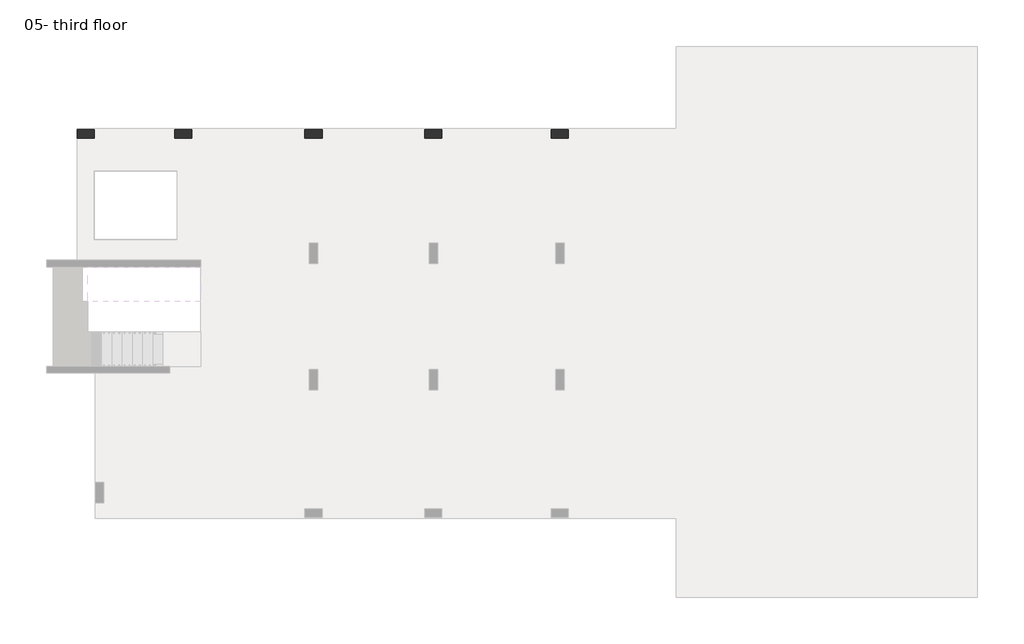
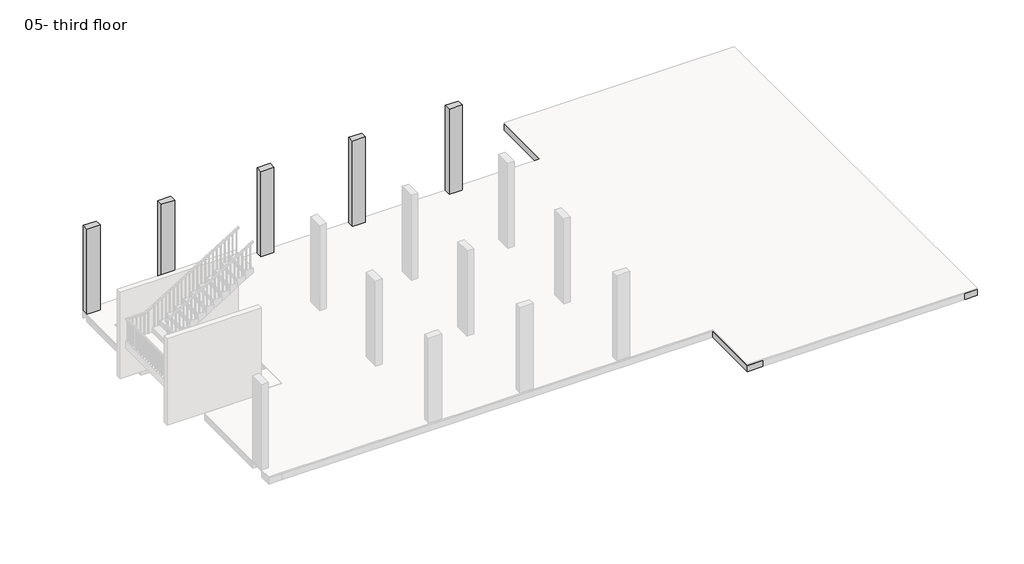
# One storey, part 4 of 5: 64 beams, 5 columns.
"""IFC4 building model written with IfcOpenShell, lengths in millimetres."""

from ifc_helpers import new_model, si_unit, frame, origin, place, context, project, spatial, polyline, outline, extrude, faceted_brep, element, save

model = new_model("IFC4")

# Units and contexts
model_context = context("Model", 3, world=origin())
ifc_project = project(units=[si_unit("LENGTHUNIT", "METRE", prefix="MILLI")], contexts=[model_context])

# Site, building, storey
site = spatial("IfcSite", under=ifc_project)
building = spatial("IfcBuilding", under=site)
storey = spatial("IfcBuildingStorey", under=building, Name="05- third floor", Elevation=10500.0)

# Beams
placement = place(None, origin())
element("IfcBeam", 1, ObjectType="B 150 x 250 mm", at=placement, inside=storey, context=model_context, shape_type="SweptSolid", body=[
    extrude(outline(polyline([(21975.0195763, 153.106066), (21825.0195763, 153.106066), (21825.0195763, 2253.106066), (21975.0195763, 2253.106066), (21975.0195763, 153.106066)])), frame((0.0, 0.0, 10200.0), z_axis=(0.0, 0.0, 1.0), x_axis=(1.0, 0.0, 0.0)), (0.0, 0.0, 1.0), 250.0),
])
element("IfcBeam", 2, ObjectType="B 150 x 250 mm", at=placement, inside=storey, context=model_context, shape_type="SweptSolid", body=[
    extrude(outline(polyline([(22525.0195763, 153.106066), (22375.0195763, 153.106066), (22375.0195763, 2253.106066), (22525.0195763, 2253.106066), (22525.0195763, 153.106066)])), frame((0.0, 0.0, 10200.0), z_axis=(0.0, 0.0, 1.0), x_axis=(1.0, 0.0, 0.0)), (0.0, 0.0, 1.0), 250.0),
])
element("IfcBeam", 3, ObjectType="B 150 x 250 mm", at=placement, inside=storey, context=model_context, shape_type="SweptSolid", body=[
    extrude(outline(polyline([(23075.0195763, 153.106066), (22925.0195763, 153.106066), (22925.0195763, 2253.106066), (23075.0195763, 2253.106066), (23075.0195763, 153.106066)])), frame((0.0, 0.0, 10200.0), z_axis=(0.0, 0.0, 1.0), x_axis=(1.0, 0.0, 0.0)), (0.0, 0.0, 1.0), 250.0),
])
element("IfcBeam", 4, ObjectType="B 150 x 250 mm", at=placement, inside=storey, context=model_context, shape_type="SweptSolid", body=[
    extrude(outline(polyline([(23625.0195763, 153.106066), (23475.0195763, 153.106066), (23475.0195763, 2253.106066), (23625.0195763, 2253.106066), (23625.0195763, 153.106066)])), frame((0.0, 0.0, 10200.0), z_axis=(0.0, 0.0, 1.0), x_axis=(1.0, 0.0, 0.0)), (0.0, 0.0, 1.0), 250.0),
])
element("IfcBeam", 5, ObjectType="B 150 x 250 mm", at=placement, inside=storey, context=model_context, shape_type="SweptSolid", body=[
    extrude(outline(polyline([(24175.0195763, 153.106066), (24025.0195763, 153.106066), (24025.0195763, 2253.106066), (24175.0195763, 2253.106066), (24175.0195763, 153.106066)])), frame((0.0, 0.0, 10200.0), z_axis=(0.0, 0.0, 1.0), x_axis=(1.0, 0.0, 0.0)), (0.0, 0.0, 1.0), 250.0),
])
element("IfcBeam", 6, ObjectType="B 150 x 250 mm", at=placement, inside=storey, context=model_context, shape_type="SweptSolid", body=[
    extrude(outline(polyline([(24725.0195763, 153.106066), (24575.0195763, 153.106066), (24575.0195763, 2253.106066), (24725.0195763, 2253.106066), (24725.0195763, 153.106066)])), frame((0.0, 0.0, 10200.0), z_axis=(0.0, 0.0, 1.0), x_axis=(1.0, 0.0, 0.0)), (0.0, 0.0, 1.0), 250.0),
])
element("IfcBeam", 7, ObjectType="B 150 x 250 mm", at=placement, inside=storey, context=model_context, shape_type="SweptSolid", body=[
    extrude(outline(polyline([(25275.0195763, 153.106066), (25125.0195763, 153.106066), (25125.0195763, 2253.106066), (25275.0195763, 2253.106066), (25275.0195763, 153.106066)])), frame((0.0, 0.0, 10200.0), z_axis=(0.0, 0.0, 1.0), x_axis=(1.0, 0.0, 0.0)), (0.0, 0.0, 1.0), 250.0),
])
element("IfcBeam", 8, ObjectType="B 150 x 250 mm", at=placement, inside=storey, context=model_context, shape_type="SweptSolid", body=[
    extrude(outline(polyline([(18375.0390798, 153.106066), (18225.0390798, 153.106066), (18225.0390798, 2253.106066), (18375.0390798, 2253.106066), (18375.0390798, 153.106066)])), frame((0.0, 0.0, 10200.0), z_axis=(0.0, 0.0, 1.0), x_axis=(1.0, 0.0, 0.0)), (0.0, 0.0, 1.0), 250.0),
])
element("IfcBeam", 9, ObjectType="B 150 x 250 mm", at=placement, inside=storey, context=model_context, shape_type="SweptSolid", body=[
    extrude(outline(polyline([(18925.0390798, 153.106066), (18775.0390798, 153.106066), (18775.0390798, 2253.106066), (18925.0390798, 2253.106066), (18925.0390798, 153.106066)])), frame((0.0, 0.0, 10200.0), z_axis=(0.0, 0.0, 1.0), x_axis=(1.0, 0.0, 0.0)), (0.0, 0.0, 1.0), 250.0),
])
element("IfcBeam", 10, ObjectType="B 150 x 250 mm", at=placement, inside=storey, context=model_context, shape_type="SweptSolid", body=[
    extrude(outline(polyline([(19475.0390798, 153.106066), (19325.0390798, 153.106066), (19325.0390798, 2253.106066), (19475.0390798, 2253.106066), (19475.0390798, 153.106066)])), frame((0.0, 0.0, 10200.0), z_axis=(0.0, 0.0, 1.0), x_axis=(1.0, 0.0, 0.0)), (0.0, 0.0, 1.0), 250.0),
])
element("IfcBeam", 11, ObjectType="B 150 x 250 mm", at=placement, inside=storey, context=model_context, shape_type="SweptSolid", body=[
    extrude(outline(polyline([(20025.0390798, 153.106066), (19875.0390798, 153.106066), (19875.0390798, 2253.106066), (20025.0390798, 2253.106066), (20025.0390798, 153.106066)])), frame((0.0, 0.0, 10200.0), z_axis=(0.0, 0.0, 1.0), x_axis=(1.0, 0.0, 0.0)), (0.0, 0.0, 1.0), 250.0),
])
element("IfcBeam", 12, ObjectType="B 150 x 250 mm", at=placement, inside=storey, context=model_context, shape_type="SweptSolid", body=[
    extrude(outline(polyline([(20575.0390798, 153.106066), (20425.0390798, 153.106066), (20425.0390798, 2253.106066), (20575.0390798, 2253.106066), (20575.0390798, 153.106066)])), frame((0.0, 0.0, 10200.0), z_axis=(0.0, 0.0, 1.0), x_axis=(1.0, 0.0, 0.0)), (0.0, 0.0, 1.0), 250.0),
])
element("IfcBeam", 13, ObjectType="B 150 x 250 mm", at=placement, inside=storey, context=model_context, shape_type="SweptSolid", body=[
    extrude(outline(polyline([(21825.0195763, -346.893934), (21975.0195763, -346.893934), (21975.0195763, -3096.893934), (21825.0195763, -3096.893934), (21825.0195763, -346.893934)])), frame((0.0, 0.0, 10200.0), z_axis=(0.0, 0.0, 1.0), x_axis=(1.0, 0.0, 0.0)), (0.0, 0.0, 1.0), 250.0),
])
element("IfcBeam", 14, ObjectType="B 150 x 250 mm", at=placement, inside=storey, context=model_context, shape_type="SweptSolid", body=[
    extrude(outline(polyline([(22375.0195763, -346.893934), (22525.0195763, -346.893934), (22525.0195763, -3096.893934), (22375.0195763, -3096.893934), (22375.0195763, -346.893934)])), frame((0.0, 0.0, 10200.0), z_axis=(0.0, 0.0, 1.0), x_axis=(1.0, 0.0, 0.0)), (0.0, 0.0, 1.0), 250.0),
])
element("IfcBeam", 15, ObjectType="B 150 x 250 mm", at=placement, inside=storey, context=model_context, shape_type="SweptSolid", body=[
    extrude(outline(polyline([(22925.0195763, -346.893934), (23075.0195763, -346.893934), (23075.0195763, -3096.893934), (22925.0195763, -3096.893934), (22925.0195763, -346.893934)])), frame((0.0, 0.0, 10200.0), z_axis=(0.0, 0.0, 1.0), x_axis=(1.0, 0.0, 0.0)), (0.0, 0.0, 1.0), 250.0),
])
element("IfcBeam", 16, ObjectType="B 150 x 250 mm", at=placement, inside=storey, context=model_context, shape_type="SweptSolid", body=[
    extrude(outline(polyline([(23475.0195763, -346.893934), (23625.0195763, -346.893934), (23625.0195763, -3096.893934), (23475.0195763, -3096.893934), (23475.0195763, -346.893934)])), frame((0.0, 0.0, 10200.0), z_axis=(0.0, 0.0, 1.0), x_axis=(1.0, 0.0, 0.0)), (0.0, 0.0, 1.0), 250.0),
])
element("IfcBeam", 17, ObjectType="B 150 x 250 mm", at=placement, inside=storey, context=model_context, shape_type="SweptSolid", body=[
    extrude(outline(polyline([(24025.0195763, -346.893934), (24175.0195763, -346.893934), (24175.0195763, -3096.893934), (24025.0195763, -3096.893934), (24025.0195763, -346.893934)])), frame((0.0, 0.0, 10200.0), z_axis=(0.0, 0.0, 1.0), x_axis=(1.0, 0.0, 0.0)), (0.0, 0.0, 1.0), 250.0),
])
element("IfcBeam", 18, ObjectType="B 150 x 250 mm", at=placement, inside=storey, context=model_context, shape_type="SweptSolid", body=[
    extrude(outline(polyline([(24575.0195763, -346.893934), (24725.0195763, -346.893934), (24725.0195763, -3096.893934), (24575.0195763, -3096.893934), (24575.0195763, -346.893934)])), frame((0.0, 0.0, 10200.0), z_axis=(0.0, 0.0, 1.0), x_axis=(1.0, 0.0, 0.0)), (0.0, 0.0, 1.0), 250.0),
])
element("IfcBeam", 19, ObjectType="B 150 x 250 mm", at=placement, inside=storey, context=model_context, shape_type="SweptSolid", body=[
    extrude(outline(polyline([(25125.0195763, -346.893934), (25275.0195763, -346.893934), (25275.0195763, -3096.893934), (25125.0195763, -3096.893934), (25125.0195763, -346.893934)])), frame((0.0, 0.0, 10200.0), z_axis=(0.0, 0.0, 1.0), x_axis=(1.0, 0.0, 0.0)), (0.0, 0.0, 1.0), 250.0),
])
element("IfcBeam", 20, ObjectType="B 150 x 250 mm", at=placement, inside=storey, context=model_context, shape_type="SweptSolid", body=[
    extrude(outline(polyline([(18225.0390798, -346.893934), (18375.0390798, -346.893934), (18375.0390798, -3096.893934), (18225.0390798, -3096.893934), (18225.0390798, -346.893934)])), frame((0.0, 0.0, 10200.0), z_axis=(0.0, 0.0, 1.0), x_axis=(1.0, 0.0, 0.0)), (0.0, 0.0, 1.0), 250.0),
])
element("IfcBeam", 21, ObjectType="B 150 x 250 mm", at=placement, inside=storey, context=model_context, shape_type="SweptSolid", body=[
    extrude(outline(polyline([(18775.0390798, -346.893934), (18925.0390798, -346.893934), (18925.0390798, -3096.893934), (18775.0390798, -3096.893934), (18775.0390798, -346.893934)])), frame((0.0, 0.0, 10200.0), z_axis=(0.0, 0.0, 1.0), x_axis=(1.0, 0.0, 0.0)), (0.0, 0.0, 1.0), 250.0),
])
element("IfcBeam", 22, ObjectType="B 150 x 250 mm", at=placement, inside=storey, context=model_context, shape_type="SweptSolid", body=[
    extrude(outline(polyline([(19325.0390798, -346.893934), (19475.0390798, -346.893934), (19475.0390798, -3096.893934), (19325.0390798, -3096.893934), (19325.0390798, -346.893934)])), frame((0.0, 0.0, 10200.0), z_axis=(0.0, 0.0, 1.0), x_axis=(1.0, 0.0, 0.0)), (0.0, 0.0, 1.0), 250.0),
])
element("IfcBeam", 23, ObjectType="B 150 x 250 mm", at=placement, inside=storey, context=model_context, shape_type="SweptSolid", body=[
    extrude(outline(polyline([(19875.0390798, -346.893934), (20025.0390798, -346.893934), (20025.0390798, -3096.893934), (19875.0390798, -3096.893934), (19875.0390798, -346.893934)])), frame((0.0, 0.0, 10200.0), z_axis=(0.0, 0.0, 1.0), x_axis=(1.0, 0.0, 0.0)), (0.0, 0.0, 1.0), 250.0),
])
element("IfcBeam", 24, ObjectType="B 150 x 250 mm", at=placement, inside=storey, context=model_context, shape_type="SweptSolid", body=[
    extrude(outline(polyline([(20425.0390798, -346.893934), (20575.0390798, -346.893934), (20575.0390798, -3096.893934), (20425.0390798, -3096.893934), (20425.0390798, -346.893934)])), frame((0.0, 0.0, 10200.0), z_axis=(0.0, 0.0, 1.0), x_axis=(1.0, 0.0, 0.0)), (0.0, 0.0, 1.0), 250.0),
])
element("IfcBeam", 25, ObjectType="B 150 x 250 mm", at=placement, inside=storey, context=model_context, shape_type="SweptSolid", body=[
    extrude(outline(polyline([(21825.0195763, -3896.893934), (21975.0195763, -3896.893934), (21975.0195763, -6796.8939341), (21825.0195763, -6796.8939341), (21825.0195763, -3896.893934)])), frame((0.0, 0.0, 10200.0), z_axis=(0.0, 0.0, 1.0), x_axis=(1.0, 0.0, 0.0)), (0.0, 0.0, 1.0), 250.0),
])
element("IfcBeam", 26, ObjectType="B 150 x 250 mm", at=placement, inside=storey, context=model_context, shape_type="SweptSolid", body=[
    extrude(outline(polyline([(22375.0195763, -3896.893934), (22525.0195763, -3896.893934), (22525.0195763, -6796.8939341), (22375.0195763, -6796.8939341), (22375.0195763, -3896.893934)])), frame((0.0, 0.0, 10200.0), z_axis=(0.0, 0.0, 1.0), x_axis=(1.0, 0.0, 0.0)), (0.0, 0.0, 1.0), 250.0),
])
element("IfcBeam", 27, ObjectType="B 150 x 250 mm", at=placement, inside=storey, context=model_context, shape_type="SweptSolid", body=[
    extrude(outline(polyline([(22925.0195763, -3896.893934), (23075.0195763, -3896.893934), (23075.0195763, -6796.8939341), (22925.0195763, -6796.8939341), (22925.0195763, -3896.893934)])), frame((0.0, 0.0, 10200.0), z_axis=(0.0, 0.0, 1.0), x_axis=(1.0, 0.0, 0.0)), (0.0, 0.0, 1.0), 250.0),
])
element("IfcBeam", 28, ObjectType="B 150 x 250 mm", at=placement, inside=storey, context=model_context, shape_type="SweptSolid", body=[
    extrude(outline(polyline([(23475.0195763, -3896.893934), (23625.0195763, -3896.893934), (23625.0195763, -6796.8939341), (23475.0195763, -6796.8939341), (23475.0195763, -3896.893934)])), frame((0.0, 0.0, 10200.0), z_axis=(0.0, 0.0, 1.0), x_axis=(1.0, 0.0, 0.0)), (0.0, 0.0, 1.0), 250.0),
])
element("IfcBeam", 29, ObjectType="B 150 x 250 mm", at=placement, inside=storey, context=model_context, shape_type="SweptSolid", body=[
    extrude(outline(polyline([(24025.0195763, -3896.893934), (24175.0195763, -3896.893934), (24175.0195763, -6796.8939341), (24025.0195763, -6796.8939341), (24025.0195763, -3896.893934)])), frame((0.0, 0.0, 10200.0), z_axis=(0.0, 0.0, 1.0), x_axis=(1.0, 0.0, 0.0)), (0.0, 0.0, 1.0), 250.0),
])
element("IfcBeam", 30, ObjectType="B 150 x 250 mm", at=placement, inside=storey, context=model_context, shape_type="SweptSolid", body=[
    extrude(outline(polyline([(24575.0195763, -3896.893934), (24725.0195763, -3896.893934), (24725.0195763, -6796.8939341), (24575.0195763, -6796.8939341), (24575.0195763, -3896.893934)])), frame((0.0, 0.0, 10200.0), z_axis=(0.0, 0.0, 1.0), x_axis=(1.0, 0.0, 0.0)), (0.0, 0.0, 1.0), 250.0),
])
element("IfcBeam", 31, ObjectType="B 150 x 250 mm", at=placement, inside=storey, context=model_context, shape_type="SweptSolid", body=[
    extrude(outline(polyline([(25125.0195763, -3896.893934), (25275.0195763, -3896.893934), (25275.0195763, -6796.8939341), (25125.0195763, -6796.8939341), (25125.0195763, -3896.893934)])), frame((0.0, 0.0, 10200.0), z_axis=(0.0, 0.0, 1.0), x_axis=(1.0, 0.0, 0.0)), (0.0, 0.0, 1.0), 250.0),
])
element("IfcBeam", 32, ObjectType="B 150 x 250 mm", at=placement, inside=storey, context=model_context, shape_type="SweptSolid", body=[
    extrude(outline(polyline([(18225.0390798, -3896.893934), (18375.0390798, -3896.893934), (18375.0390798, -6796.8939341), (18225.0390798, -6796.8939341), (18225.0390798, -3896.893934)])), frame((0.0, 0.0, 10200.0), z_axis=(0.0, 0.0, 1.0), x_axis=(1.0, 0.0, 0.0)), (0.0, 0.0, 1.0), 250.0),
])
element("IfcBeam", 33, ObjectType="B 150 x 250 mm", at=placement, inside=storey, context=model_context, shape_type="SweptSolid", body=[
    extrude(outline(polyline([(18775.0390798, -3896.893934), (18925.0390798, -3896.893934), (18925.0390798, -6796.8939341), (18775.0390798, -6796.8939341), (18775.0390798, -3896.893934)])), frame((0.0, 0.0, 10200.0), z_axis=(0.0, 0.0, 1.0), x_axis=(1.0, 0.0, 0.0)), (0.0, 0.0, 1.0), 250.0),
])
element("IfcBeam", 34, ObjectType="B 150 x 250 mm", at=placement, inside=storey, context=model_context, shape_type="SweptSolid", body=[
    extrude(outline(polyline([(19325.0390798, -3896.893934), (19475.0390798, -3896.893934), (19475.0390798, -6796.8939341), (19325.0390798, -6796.8939341), (19325.0390798, -3896.893934)])), frame((0.0, 0.0, 10200.0), z_axis=(0.0, 0.0, 1.0), x_axis=(1.0, 0.0, 0.0)), (0.0, 0.0, 1.0), 250.0),
])
element("IfcBeam", 35, ObjectType="B 150 x 250 mm", at=placement, inside=storey, context=model_context, shape_type="SweptSolid", body=[
    extrude(outline(polyline([(19875.0390798, -3896.893934), (20025.0390798, -3896.893934), (20025.0390798, -6796.8939341), (19875.0390798, -6796.8939341), (19875.0390798, -3896.893934)])), frame((0.0, 0.0, 10200.0), z_axis=(0.0, 0.0, 1.0), x_axis=(1.0, 0.0, 0.0)), (0.0, 0.0, 1.0), 250.0),
])
element("IfcBeam", 36, ObjectType="B 150 x 250 mm", at=placement, inside=storey, context=model_context, shape_type="SweptSolid", body=[
    extrude(outline(polyline([(20425.0390798, -3896.893934), (20575.0390798, -3896.893934), (20575.0390798, -6796.8939341), (20425.0390798, -6796.8939341), (20425.0390798, -3896.893934)])), frame((0.0, 0.0, 10200.0), z_axis=(0.0, 0.0, 1.0), x_axis=(1.0, 0.0, 0.0)), (0.0, 0.0, 1.0), 250.0),
])
element("IfcBeam", 37, ObjectType="B 150 x 250 mm", at=placement, inside=storey, context=model_context, shape_type="SweptSolid", body=[
    extrude(outline(polyline([(21825.0195763, -7596.8939341), (21975.0195763, -7596.8939341), (21975.0195763, -10746.893934), (21825.0195763, -10746.893934), (21825.0195763, -7596.8939341)])), frame((0.0, 0.0, 10200.0), z_axis=(0.0, 0.0, 1.0), x_axis=(1.0, 0.0, 0.0)), (0.0, 0.0, 1.0), 250.0),
])
element("IfcBeam", 38, ObjectType="B 150 x 250 mm", at=placement, inside=storey, context=model_context, shape_type="SweptSolid", body=[
    extrude(outline(polyline([(22375.0195763, -7596.8939341), (22525.0195763, -7596.8939341), (22525.0195763, -10746.893934), (22375.0195763, -10746.893934), (22375.0195763, -7596.8939341)])), frame((0.0, 0.0, 10200.0), z_axis=(0.0, 0.0, 1.0), x_axis=(1.0, 0.0, 0.0)), (0.0, 0.0, 1.0), 250.0),
])
element("IfcBeam", 39, ObjectType="B 150 x 250 mm", at=placement, inside=storey, context=model_context, shape_type="SweptSolid", body=[
    extrude(outline(polyline([(22925.0195763, -7596.8939341), (23075.0195763, -7596.8939341), (23075.0195763, -10746.893934), (22925.0195763, -10746.893934), (22925.0195763, -7596.8939341)])), frame((0.0, 0.0, 10200.0), z_axis=(0.0, 0.0, 1.0), x_axis=(1.0, 0.0, 0.0)), (0.0, 0.0, 1.0), 250.0),
])
element("IfcBeam", 40, ObjectType="B 150 x 250 mm", at=placement, inside=storey, context=model_context, shape_type="SweptSolid", body=[
    extrude(outline(polyline([(23475.0195763, -7596.8939341), (23625.0195763, -7596.8939341), (23625.0195763, -10746.893934), (23475.0195763, -10746.893934), (23475.0195763, -7596.8939341)])), frame((0.0, 0.0, 10200.0), z_axis=(0.0, 0.0, 1.0), x_axis=(1.0, 0.0, 0.0)), (0.0, 0.0, 1.0), 250.0),
])
element("IfcBeam", 41, ObjectType="B 150 x 250 mm", at=placement, inside=storey, context=model_context, shape_type="SweptSolid", body=[
    extrude(outline(polyline([(24025.0195763, -7596.8939341), (24175.0195763, -7596.8939341), (24175.0195763, -10746.893934), (24025.0195763, -10746.893934), (24025.0195763, -7596.8939341)])), frame((0.0, 0.0, 10200.0), z_axis=(0.0, 0.0, 1.0), x_axis=(1.0, 0.0, 0.0)), (0.0, 0.0, 1.0), 250.0),
])
element("IfcBeam", 42, ObjectType="B 150 x 250 mm", at=placement, inside=storey, context=model_context, shape_type="SweptSolid", body=[
    extrude(outline(polyline([(24575.0195763, -7596.8939341), (24725.0195763, -7596.8939341), (24725.0195763, -10746.893934), (24575.0195763, -10746.893934), (24575.0195763, -7596.8939341)])), frame((0.0, 0.0, 10200.0), z_axis=(0.0, 0.0, 1.0), x_axis=(1.0, 0.0, 0.0)), (0.0, 0.0, 1.0), 250.0),
])
element("IfcBeam", 43, ObjectType="B 150 x 250 mm", at=placement, inside=storey, context=model_context, shape_type="SweptSolid", body=[
    extrude(outline(polyline([(25125.0195763, -7596.8939341), (25275.0195763, -7596.8939341), (25275.0195763, -10746.893934), (25125.0195763, -10746.893934), (25125.0195763, -7596.8939341)])), frame((0.0, 0.0, 10200.0), z_axis=(0.0, 0.0, 1.0), x_axis=(1.0, 0.0, 0.0)), (0.0, 0.0, 1.0), 250.0),
])
element("IfcBeam", 44, ObjectType="B 150 x 250 mm", at=placement, inside=storey, context=model_context, shape_type="SweptSolid", body=[
    extrude(outline(polyline([(22525.0195763, -13246.8939341), (22375.0195763, -13246.8939341), (22375.0195763, -11246.893934), (22525.0195763, -11246.893934), (22525.0195763, -13246.8939341)])), frame((0.0, 0.0, 10200.0), z_axis=(0.0, 0.0, 1.0), x_axis=(1.0, 0.0, 0.0)), (0.0, 0.0, 1.0), 250.0),
])
element("IfcBeam", 45, ObjectType="B 150 x 250 mm", at=placement, inside=storey, context=model_context, shape_type="SweptSolid", body=[
    extrude(outline(polyline([(23075.0195763, -13246.8939341), (22925.0195763, -13246.8939341), (22925.0195763, -11246.893934), (23075.0195763, -11246.893934), (23075.0195763, -13246.8939341)])), frame((0.0, 0.0, 10200.0), z_axis=(0.0, 0.0, 1.0), x_axis=(1.0, 0.0, 0.0)), (0.0, 0.0, 1.0), 250.0),
])
element("IfcBeam", 46, ObjectType="B 150 x 250 mm", at=placement, inside=storey, context=model_context, shape_type="SweptSolid", body=[
    extrude(outline(polyline([(23625.0195763, -13246.8939341), (23475.0195763, -13246.8939341), (23475.0195763, -11246.893934), (23625.0195763, -11246.893934), (23625.0195763, -13246.8939341)])), frame((0.0, 0.0, 10200.0), z_axis=(0.0, 0.0, 1.0), x_axis=(1.0, 0.0, 0.0)), (0.0, 0.0, 1.0), 250.0),
])
element("IfcBeam", 47, ObjectType="B 150 x 250 mm", at=placement, inside=storey, context=model_context, shape_type="SweptSolid", body=[
    extrude(outline(polyline([(24175.0195763, -13246.8939341), (24025.0195763, -13246.8939341), (24025.0195763, -11246.893934), (24175.0195763, -11246.893934), (24175.0195763, -13246.8939341)])), frame((0.0, 0.0, 10200.0), z_axis=(0.0, 0.0, 1.0), x_axis=(1.0, 0.0, 0.0)), (0.0, 0.0, 1.0), 250.0),
])
element("IfcBeam", 48, ObjectType="B 150 x 250 mm", at=placement, inside=storey, context=model_context, shape_type="SweptSolid", body=[
    extrude(outline(polyline([(24575.0195763, -11246.893934), (24725.0195763, -11246.893934), (24725.0195763, -13246.8939341), (24575.0195763, -13246.8939341), (24575.0195763, -11246.893934)])), frame((0.0, 0.0, 10200.0), z_axis=(0.0, 0.0, 1.0), x_axis=(1.0, 0.0, 0.0)), (0.0, 0.0, 1.0), 250.0),
])
element("IfcBeam", 49, ObjectType="B 150 x 250 mm", at=placement, inside=storey, context=model_context, shape_type="SweptSolid", body=[
    extrude(outline(polyline([(25275.0195763, -13246.8939341), (25125.0195763, -13246.8939341), (25125.0195763, -11246.893934), (25275.0195763, -11246.893934), (25275.0195763, -13246.8939341)])), frame((0.0, 0.0, 10200.0), z_axis=(0.0, 0.0, 1.0), x_axis=(1.0, 0.0, 0.0)), (0.0, 0.0, 1.0), 250.0),
])
element("IfcBeam", 50, ObjectType="B 150 x 250 mm", at=placement, inside=storey, context=model_context, shape_type="SweptSolid", body=[
    extrude(outline(polyline([(18225.0390798, -7596.8939341), (18375.0390798, -7596.8939341), (18375.0390798, -10746.893934), (18225.0390798, -10746.893934), (18225.0390798, -7596.8939341)])), frame((0.0, 0.0, 10200.0), z_axis=(0.0, 0.0, 1.0), x_axis=(1.0, 0.0, 0.0)), (0.0, 0.0, 1.0), 250.0),
])
element("IfcBeam", 51, ObjectType="B 150 x 250 mm", at=placement, inside=storey, context=model_context, shape_type="SweptSolid", body=[
    extrude(outline(polyline([(18775.0390798, -7596.8939341), (18925.0390798, -7596.8939341), (18925.0390798, -10746.893934), (18775.0390798, -10746.893934), (18775.0390798, -7596.8939341)])), frame((0.0, 0.0, 10200.0), z_axis=(0.0, 0.0, 1.0), x_axis=(1.0, 0.0, 0.0)), (0.0, 0.0, 1.0), 250.0),
])
element("IfcBeam", 52, ObjectType="B 150 x 250 mm", at=placement, inside=storey, context=model_context, shape_type="SweptSolid", body=[
    extrude(outline(polyline([(19325.0390798, -7596.8939341), (19475.0390798, -7596.8939341), (19475.0390798, -10746.893934), (19325.0390798, -10746.893934), (19325.0390798, -7596.8939341)])), frame((0.0, 0.0, 10200.0), z_axis=(0.0, 0.0, 1.0), x_axis=(1.0, 0.0, 0.0)), (0.0, 0.0, 1.0), 250.0),
])
element("IfcBeam", 53, ObjectType="B 150 x 250 mm", at=placement, inside=storey, context=model_context, shape_type="SweptSolid", body=[
    extrude(outline(polyline([(19875.0390798, -7596.8939341), (20025.0390798, -7596.8939341), (20025.0390798, -10746.893934), (19875.0390798, -10746.893934), (19875.0390798, -7596.8939341)])), frame((0.0, 0.0, 10200.0), z_axis=(0.0, 0.0, 1.0), x_axis=(1.0, 0.0, 0.0)), (0.0, 0.0, 1.0), 250.0),
])
element("IfcBeam", 54, ObjectType="B 150 x 250 mm", at=placement, inside=storey, context=model_context, shape_type="SweptSolid", body=[
    extrude(outline(polyline([(20425.0390798, -7596.8939341), (20575.0390798, -7596.8939341), (20575.0390798, -10746.893934), (20425.0390798, -10746.893934), (20425.0390798, -7596.8939341)])), frame((0.0, 0.0, 10200.0), z_axis=(0.0, 0.0, 1.0), x_axis=(1.0, 0.0, 0.0)), (0.0, 0.0, 1.0), 250.0),
])
element("IfcBeam", 55, ObjectType="B 150 x 250 mm", at=placement, inside=storey, context=model_context, shape_type="SweptSolid", body=[
    extrude(outline(polyline([(16175.0390798, -346.893934), (16325.0390798, -346.893934), (16325.0390798, -3096.893934), (16175.0390798, -3096.893934), (16175.0390798, -346.893934)])), frame((0.0, 0.0, 10200.0), z_axis=(0.0, 0.0, 1.0), x_axis=(1.0, 0.0, 0.0)), (0.0, 0.0, 1.0), 250.0),
])
element("IfcBeam", 56, ObjectType="B 150 x 250 mm", at=placement, inside=storey, context=model_context, shape_type="SweptSolid", body=[
    extrude(outline(polyline([(16725.0390798, -346.893934), (16875.0390798, -346.893934), (16875.0390798, -3096.893934), (16725.0390798, -3096.893934), (16725.0390798, -346.893934)])), frame((0.0, 0.0, 10200.0), z_axis=(0.0, 0.0, 1.0), x_axis=(1.0, 0.0, 0.0)), (0.0, 0.0, 1.0), 250.0),
])
element("IfcBeam", 57, ObjectType="B 150 x 250 mm", at=placement, inside=storey, context=model_context, shape_type="SweptSolid", body=[
    extrude(outline(polyline([(16175.0390798, -3896.893934), (16325.0390798, -3896.893934), (16325.0390798, -6796.8939341), (16175.0390798, -6796.8939341), (16175.0390798, -3896.893934)])), frame((0.0, 0.0, 10200.0), z_axis=(0.0, 0.0, 1.0), x_axis=(1.0, 0.0, 0.0)), (0.0, 0.0, 1.0), 250.0),
])
element("IfcBeam", 58, ObjectType="B 150 x 250 mm", at=placement, inside=storey, context=model_context, shape_type="SweptSolid", body=[
    extrude(outline(polyline([(16725.0390798, -3896.893934), (16875.0390798, -3896.893934), (16875.0390798, -6796.8939341), (16725.0390798, -6796.8939341), (16725.0390798, -3896.893934)])), frame((0.0, 0.0, 10200.0), z_axis=(0.0, 0.0, 1.0), x_axis=(1.0, 0.0, 0.0)), (0.0, 0.0, 1.0), 250.0),
])
element("IfcBeam", 59, ObjectType="B 150 x 250 mm", at=placement, inside=storey, context=model_context, shape_type="SweptSolid", body=[
    extrude(outline(polyline([(16175.0390798, -7596.8939341), (16325.0390798, -7596.8939341), (16325.0390798, -10746.893934), (16175.0390798, -10746.893934), (16175.0390798, -7596.8939341)])), frame((0.0, 0.0, 10200.0), z_axis=(0.0, 0.0, 1.0), x_axis=(1.0, 0.0, 0.0)), (0.0, 0.0, 1.0), 250.0),
])
element("IfcBeam", 60, ObjectType="B 150 x 250 mm", at=placement, inside=storey, context=model_context, shape_type="SweptSolid", body=[
    extrude(outline(polyline([(16725.0390798, -7596.8939341), (16875.0390798, -7596.8939341), (16875.0390798, -10746.893934), (16725.0390798, -10746.893934), (16725.0390798, -7596.8939341)])), frame((0.0, 0.0, 10200.0), z_axis=(0.0, 0.0, 1.0), x_axis=(1.0, 0.0, 0.0)), (0.0, 0.0, 1.0), 250.0),
])
element("IfcBeam", 61, ObjectType="B5 500 x 250 mm", at=placement, inside=storey, context=model_context, shape_type="Brep", body=[
    faceted_brep([(26050.0000727, 2553.106066, 10450.0), (26050.0000727, 2553.106066, 10200.0), (25550.0000727, 2553.106066, 10200.0), (25550.0000727, 2553.106066, 10450.0), (25550.0000727, 2253.106066, 10450.0), (25550.0000727, 153.106066, 10450.0), (25550.0000727, 125.0, 10450.0), (25966.5, 125.0, 10450.0), (25966.5, -125.0, 10450.0), (25550.0000727, -125.0, 10450.0), (25550.0000727, -346.893934, 10450.0), (25550.0000727, -3096.893934, 10450.0), (25550.0000727, -3896.893934, 10450.0), (25550.0000727, -6796.8939341, 10450.0), (25550.0000727, -7596.8939341, 10450.0), (25550.0000727, -10746.893934, 10450.0), (25550.0000727, -11246.893934, 10450.0), (25550.0000727, -13246.8939341, 10450.0), (25550.0000727, -13546.8939341, 10450.0), (26050.0000727, -13546.8939341, 10450.0), (25766.5, -4846.8939341, 10450.0), (26016.5, -4846.8939341, 10450.0), (26016.5, -5246.8939341, 10450.0), (25766.5, -5246.8939341, 10450.0), (25550.0000727, -13546.8939341, 10200.0), (25550.0000727, -125.0, 10200.0), (25550.0000727, -346.893934, 10200.0), (25550.0000727, -3096.893934, 10200.0), (25550.0000727, -3896.893934, 10200.0), (25550.0000727, -6796.8939341, 10200.0), (25550.0000727, -7596.8939341, 10200.0), (25550.0000727, -10746.893934, 10200.0), (25550.0000727, -11246.893934, 10200.0), (25550.0000727, -13246.8939341, 10200.0), (26050.0000727, -13546.8939341, 10200.0), (25966.5, -125.0, 10200.0), (25966.5, 125.0, 10200.0), (25550.0000727, 125.0, 10200.0), (25550.0000727, 153.106066, 10200.0), (25550.0000727, 2253.106066, 10200.0), (26016.5, -4846.8939341, 10200.0), (25766.5, -4846.8939341, 10200.0), (25766.5, -5246.8939341, 10200.0), (26016.5, -5246.8939341, 10200.0)], [[[0, 1, 2, 3]], [[0, 3, 4, 5, 6, 7, 8, 9, 10, 11, 12, 13, 14, 15, 16, 17, 18, 19], [20, 21, 22, 23]], [[24, 18, 17, 16, 15, 14, 13, 12, 11, 10, 9, 25, 26, 27, 28, 29, 30, 31, 32, 33]], [[2, 1, 34, 24, 33, 32, 31, 30, 29, 28, 27, 26, 25, 35, 36, 37, 38, 39], [40, 41, 42, 43]], [[1, 0, 19, 34]], [[40, 21, 20, 41]], [[41, 20, 23, 42]], [[21, 40, 43, 22]], [[8, 35, 25, 9]], [[35, 8, 7, 36]], [[36, 7, 6, 37]], [[3, 2, 39, 38, 37, 6, 5, 4]], [[22, 43, 42, 23]], [[19, 18, 24, 34]]]),
])
element("IfcBeam", 62, ObjectType="B6 600 x 250 mm", at=placement, inside=storey, context=model_context, shape_type="Brep", body=[
    faceted_brep([(17250.0390798, 2553.106066, 10450.0), (17850.0390798, 2553.106066, 10450.0), (17850.0390798, 2553.106066, 10200.0), (17250.0390798, 2553.106066, 10200.0), (17250.0390798, 153.106066, 10450.0), (17850.0390798, 153.106066, 10450.0), (17850.0390798, 2253.106066, 10450.0), (17850.0390798, 153.106066, 10200.0), (17850.0390798, 2253.106066, 10200.0), (17250.0390798, 153.106066, 10200.0)], [[[0, 1, 2, 3]], [[1, 0, 4, 5, 6]], [[2, 1, 6, 5, 7, 8]], [[3, 2, 8, 7, 9]], [[0, 3, 9, 4]], [[5, 4, 9, 7]]]),
    faceted_brep([(17250.0390798, -13546.8939341, 10450.0), (17250.0390798, -13546.8939341, 10200.0), (17850.0390798, -13546.8939341, 10200.0), (17850.0390798, -13546.8939341, 10450.0), (17250.0390798, -11246.893934, 10450.0), (17850.0390798, -11246.893934, 10450.0), (17850.0390798, -11246.893934, 10200.0), (17250.0390798, -11246.893934, 10200.0), (17850.0390798, -13246.8939341, 10450.0), (17850.0390798, -13246.8939341, 10200.0)], [[[0, 1, 2, 3]], [[4, 5, 6, 7]], [[0, 3, 8, 5, 4]], [[3, 2, 9, 6, 5, 8]], [[2, 1, 7, 6, 9]], [[1, 0, 4, 7]]]),
    faceted_brep([(17850.0390798, -10746.893934, 10450.0), (17250.0390798, -10746.893934, 10450.0), (17250.0390798, -10746.893934, 10200.0), (17850.0390798, -10746.893934, 10200.0), (17250.0390798, -7596.8939341, 10450.0), (17850.0390798, -7596.8939341, 10450.0), (17850.0390798, -7596.8939341, 10200.0), (17250.0390798, -7596.8939341, 10200.0)], [[[0, 1, 2, 3]], [[4, 5, 6, 7]], [[1, 0, 5, 4]], [[0, 3, 6, 5]], [[3, 2, 7, 6]], [[2, 1, 4, 7]]]),
    faceted_brep([(17850.0390798, -6796.8939341, 10450.0), (17250.0390798, -6796.8939341, 10450.0), (17250.0390798, -6796.8939341, 10200.0), (17850.0390798, -6796.8939341, 10200.0), (17250.0390798, -3896.893934, 10450.0), (17850.0390798, -3896.893934, 10450.0), (17850.0390798, -3896.893934, 10200.0), (17250.0390798, -3896.893934, 10200.0)], [[[0, 1, 2, 3]], [[4, 5, 6, 7]], [[1, 0, 5, 4]], [[0, 3, 6, 5]], [[3, 2, 7, 6]], [[2, 1, 4, 7]]]),
    faceted_brep([(17850.0390798, -3096.893934, 10450.0), (17250.0390798, -3096.893934, 10450.0), (17250.0390798, -3096.893934, 10200.0), (17850.0390798, -3096.893934, 10200.0), (17250.0390798, -346.893934, 10450.0), (17850.0390798, -346.893934, 10450.0), (17850.0390798, -346.893934, 10200.0), (17250.0390798, -346.893934, 10200.0)], [[[0, 1, 2, 3]], [[4, 5, 6, 7]], [[1, 0, 5, 4]], [[0, 3, 6, 5]], [[3, 2, 7, 6]], [[2, 1, 4, 7]]]),
])
element("IfcBeam", 63, ObjectType="B6 600 x 250 mm", at=placement, inside=storey, context=model_context, shape_type="Brep", body=[
    faceted_brep([(20950.0390798, 2553.106066, 10450.0), (21550.0390798, 2553.106066, 10450.0), (21550.0390798, 2553.106066, 10200.0), (20950.0390798, 2553.106066, 10200.0), (20950.0390798, 2253.106066, 10450.0), (20950.0390798, 153.106066, 10450.0), (21550.0390798, 153.106066, 10450.0), (21550.0390798, 2253.106066, 10450.0), (21550.0390798, 153.106066, 10200.0), (21550.0390798, 2253.106066, 10200.0), (20950.0390798, 153.106066, 10200.0), (20950.0390798, 2253.106066, 10200.0)], [[[0, 1, 2, 3]], [[1, 0, 4, 5, 6, 7]], [[2, 1, 7, 6, 8, 9]], [[3, 2, 9, 8, 10, 11]], [[0, 3, 11, 10, 5, 4]], [[6, 5, 10, 8]]]),
    faceted_brep([(20950.0390798, -11246.893934, 10450.0), (21550.0390798, -11246.893934, 10450.0), (21550.0390798, -11246.893934, 10200.0), (20950.0390798, -11246.893934, 10200.0), (20950.0390798, -13246.8939341, 10450.0), (21550.0390798, -13246.8939341, 10450.0), (21550.0390798, -13246.8939341, 10200.0), (20950.0390798, -13246.8939341, 10200.0)], [[[0, 1, 2, 3]], [[1, 0, 4, 5]], [[2, 1, 5, 6]], [[3, 2, 6, 7]], [[0, 3, 7, 4]], [[5, 4, 7, 6]]]),
    faceted_brep([(21550.0390798, -10746.893934, 10450.0), (20950.0390798, -10746.893934, 10450.0), (20950.0390798, -10746.893934, 10200.0), (21550.0390798, -10746.893934, 10200.0), (20950.0390798, -7596.8939341, 10450.0), (21550.0390798, -7596.8939341, 10450.0), (21550.0390798, -7596.8939341, 10200.0), (20950.0390798, -7596.8939341, 10200.0)], [[[0, 1, 2, 3]], [[4, 5, 6, 7]], [[1, 0, 5, 4]], [[0, 3, 6, 5]], [[3, 2, 7, 6]], [[2, 1, 4, 7]]]),
    faceted_brep([(21550.0390798, -6796.8939341, 10450.0), (20950.0390798, -6796.8939341, 10450.0), (20950.0390798, -6796.8939341, 10200.0), (21550.0390798, -6796.8939341, 10200.0), (20950.0390798, -3896.893934, 10450.0), (21550.0390798, -3896.893934, 10450.0), (21550.0390798, -3896.893934, 10200.0), (20950.0390798, -3896.893934, 10200.0)], [[[0, 1, 2, 3]], [[4, 5, 6, 7]], [[1, 0, 5, 4]], [[0, 3, 6, 5]], [[3, 2, 7, 6]], [[2, 1, 4, 7]]]),
    faceted_brep([(21550.0390798, -3096.893934, 10450.0), (20950.0390798, -3096.893934, 10450.0), (20950.0390798, -3096.893934, 10200.0), (21550.0390798, -3096.893934, 10200.0), (20950.0390798, -346.893934, 10450.0), (21550.0390798, -346.893934, 10450.0), (21550.0390798, -346.893934, 10200.0), (20950.0390798, -346.893934, 10200.0)], [[[0, 1, 2, 3]], [[4, 5, 6, 7]], [[1, 0, 5, 4]], [[0, 3, 6, 5]], [[3, 2, 7, 6]], [[2, 1, 4, 7]]]),
])
element("IfcBeam", 64, ObjectType="B7 300 x 250 mm", at=placement, inside=storey, context=model_context, shape_type="Brep", body=[
    faceted_brep([(25550.0000727, 2553.106066, 10450.0), (25550.0000727, 2253.106066, 10450.0), (25550.0000727, 2253.106066, 10200.0), (25550.0000727, 2553.106066, 10200.0), (21550.0390798, 2553.106066, 10450.0), (21550.0390798, 2253.106066, 10450.0), (21825.0195763, 2253.106066, 10450.0), (21975.0195763, 2253.106066, 10450.0), (22375.0195763, 2253.106066, 10450.0), (22525.0195763, 2253.106066, 10450.0), (22925.0195763, 2253.106066, 10450.0), (23075.0195763, 2253.106066, 10450.0), (23475.0195763, 2253.106066, 10450.0), (23625.0195763, 2253.106066, 10450.0), (24025.0195763, 2253.106066, 10450.0), (24175.0195763, 2253.106066, 10450.0), (24575.0195763, 2253.106066, 10450.0), (24725.0195763, 2253.106066, 10450.0), (25125.0195763, 2253.106066, 10450.0), (25275.0195763, 2253.106066, 10450.0), (21550.0390798, 2253.106066, 10200.0), (21825.0195763, 2253.106066, 10200.0), (21975.0195763, 2253.106066, 10200.0), (22375.0195763, 2253.106066, 10200.0), (22525.0195763, 2253.106066, 10200.0), (22925.0195763, 2253.106066, 10200.0), (23075.0195763, 2253.106066, 10200.0), (23475.0195763, 2253.106066, 10200.0), (23625.0195763, 2253.106066, 10200.0), (24025.0195763, 2253.106066, 10200.0), (24175.0195763, 2253.106066, 10200.0), (24575.0195763, 2253.106066, 10200.0), (24725.0195763, 2253.106066, 10200.0), (25125.0195763, 2253.106066, 10200.0), (25275.0195763, 2253.106066, 10200.0), (21550.0390798, 2553.106066, 10200.0)], [[[0, 1, 2, 3]], [[1, 0, 4, 5, 6, 7, 8, 9, 10, 11, 12, 13, 14, 15, 16, 17, 18, 19]], [[2, 1, 19, 18, 17, 16, 15, 14, 13, 12, 11, 10, 9, 8, 7, 6, 5, 20, 21, 22, 23, 24, 25, 26, 27, 28, 29, 30, 31, 32, 33, 34]], [[3, 2, 34, 33, 32, 31, 30, 29, 28, 27, 26, 25, 24, 23, 22, 21, 20, 35]], [[0, 3, 35, 4]], [[5, 4, 35, 20]]]),
    faceted_brep([(17850.0390798, 2553.106066, 10450.0), (17850.0390798, 2553.106066, 10200.0), (17850.0390798, 2253.106066, 10200.0), (17850.0390798, 2253.106066, 10450.0), (20950.0390798, 2553.106066, 10450.0), (20950.0390798, 2253.106066, 10450.0), (20950.0390798, 2253.106066, 10200.0), (20950.0390798, 2553.106066, 10200.0), (18225.0390798, 2253.106066, 10450.0), (18375.0390798, 2253.106066, 10450.0), (18775.0390798, 2253.106066, 10450.0), (18925.0390798, 2253.106066, 10450.0), (19325.0390798, 2253.106066, 10450.0), (19475.0390798, 2253.106066, 10450.0), (19875.0390798, 2253.106066, 10450.0), (20025.0390798, 2253.106066, 10450.0), (20425.0390798, 2253.106066, 10450.0), (20575.0390798, 2253.106066, 10450.0), (18225.0390798, 2253.106066, 10200.0), (18375.0390798, 2253.106066, 10200.0), (18775.0390798, 2253.106066, 10200.0), (18925.0390798, 2253.106066, 10200.0), (19325.0390798, 2253.106066, 10200.0), (19475.0390798, 2253.106066, 10200.0), (19875.0390798, 2253.106066, 10200.0), (20025.0390798, 2253.106066, 10200.0), (20425.0390798, 2253.106066, 10200.0), (20575.0390798, 2253.106066, 10200.0)], [[[0, 1, 2, 3]], [[4, 5, 6, 7]], [[0, 3, 8, 9, 10, 11, 12, 13, 14, 15, 16, 17, 5, 4]], [[3, 2, 18, 19, 20, 21, 22, 23, 24, 25, 26, 27, 6, 5, 17, 16, 15, 14, 13, 12, 11, 10, 9, 8]], [[2, 1, 7, 6, 27, 26, 25, 24, 23, 22, 21, 20, 19, 18]], [[1, 0, 4, 7]]]),
])

# Columns
element("IfcColumn", 65, ObjectType="C1 25 x 50mm", at=placement, inside=storey, context=model_context, shape_type="SweptSolid", body=[
    extrude(outline(polyline([(-250.0, 128.106066), (250.0, 128.106066), (250.0, -121.893934), (-250.0, -121.893934), (-250.0, 128.106066)])), frame((0.0, 0.0, 10500.0), z_axis=(0.0, 0.0, 1.0), x_axis=(1.0, 0.0, 0.0)), (0.0, 0.0, 1.0), 3450.0),
])
element("IfcColumn", 66, ObjectType="C1 25 x 50mm", at=placement, inside=storey, context=model_context, shape_type="SweptSolid", body=[
    extrude(outline(polyline([(2600.0, 128.106066), (3100.0, 128.106066), (3100.0, -121.893934), (2600.0, -121.893934), (2600.0, 128.106066)])), frame((0.0, 0.0, 10500.0), z_axis=(0.0, 0.0, 1.0), x_axis=(1.0, 0.0, 0.0)), (0.0, 0.0, 1.0), 3450.0),
])
element("IfcColumn", 67, ObjectType="C1 25 x 50mm", at=placement, inside=storey, context=model_context, shape_type="SweptSolid", body=[
    extrude(outline(polyline([(6400.0390798, 128.106066), (6900.0390798, 128.106066), (6900.0390798, -121.893934), (6400.0390798, -121.893934), (6400.0390798, 128.106066)])), frame((0.0, 0.0, 10500.0), z_axis=(0.0, 0.0, 1.0), x_axis=(1.0, 0.0, 0.0)), (0.0, 0.0, 1.0), 3450.0),
])
element("IfcColumn", 68, ObjectType="C1 25 x 50mm", at=placement, inside=storey, context=model_context, shape_type="SweptSolid", body=[
    extrude(outline(polyline([(9900.0390798, 128.106066), (10400.0390798, 128.106066), (10400.0390798, -121.893934), (9900.0390798, -121.893934), (9900.0390798, 128.106066)])), frame((0.0, 0.0, 10500.0), z_axis=(0.0, 0.0, 1.0), x_axis=(1.0, 0.0, 0.0)), (0.0, 0.0, 1.0), 3450.0),
])
element("IfcColumn", 69, ObjectType="C1 25 x 50mm", at=placement, inside=storey, context=model_context, shape_type="SweptSolid", body=[
    extrude(outline(polyline([(13600.0390798, 128.106066), (14100.0390798, 128.106066), (14100.0390798, -121.893934), (13600.0390798, -121.893934), (13600.0390798, 128.106066)])), frame((0.0, 0.0, 10500.0), z_axis=(0.0, 0.0, 1.0), x_axis=(1.0, 0.0, 0.0)), (0.0, 0.0, 1.0), 3450.0),
])

save(model, "model.ifc")
